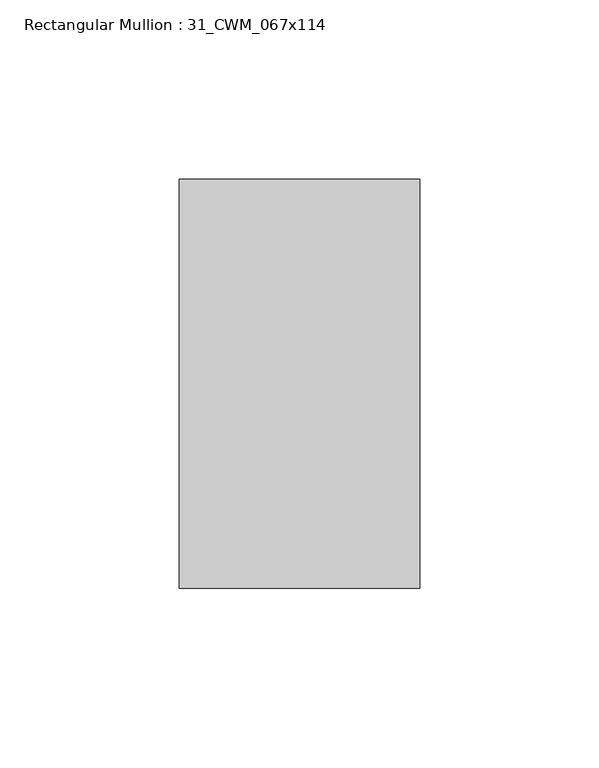
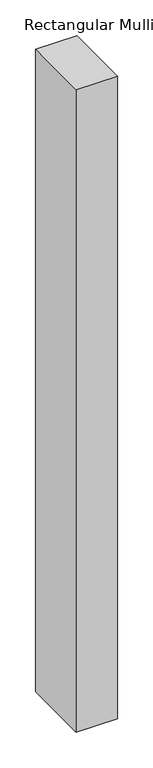
"""IFC4 building model written with IfcOpenShell, lengths in millimetres: member geometry, Rectangular Mullion : 31_CWM_067x114."""

from ifc_helpers import new_model, si_unit, frame, origin, place, context, project, spatial, polyline, outline, extrude, source, transform, mapped, element, save


def rectangular_mullion_31_cwm_067x114_56645d2c(model_context):
    return source(origin(), model_context, "Body", "SweptSolid", [
        extrude(outline(polyline([(0.0, 0.0), (0.0, -114.0), (-67.0, -114.0), (-67.0, 0.0), (0.0, 0.0)])), frame((0.0, 0.0, -1100.0), z_axis=(0.0, 0.0, 1.0), x_axis=(1.0, 0.0, 0.0)), (0.0, 0.0, 1.0), 1100.0),
    ])


if __name__ == "__main__":
    model = new_model("IFC4")
    model_context = context("Model", 3, world=origin())
    ifc_project = project(units=[si_unit("LENGTHUNIT", "METRE", prefix="MILLI")], contexts=[model_context])
    site = spatial("IfcSite", under=ifc_project)
    building = spatial("IfcBuilding", under=site)
    placement = place(None, origin())
    rectangular_mullion_31_cwm_067x114_shape = rectangular_mullion_31_cwm_067x114_56645d2c(model_context)
    element("IfcMember", 1, ObjectType="Rectangular Mullion : 31_CWM_067x114", at=placement, inside=building, context=model_context, shape_type="MappedRepresentation", body=[
        mapped(rectangular_mullion_31_cwm_067x114_shape, transform((0.0, 0.0, 0.0), x_axis=(1.0, 0.0, 0.0), y_axis=(0.0, 1.0, 0.0), z_axis=(0.0, 0.0, 1.0))),
    ])
    save(model, "model.ifc")
